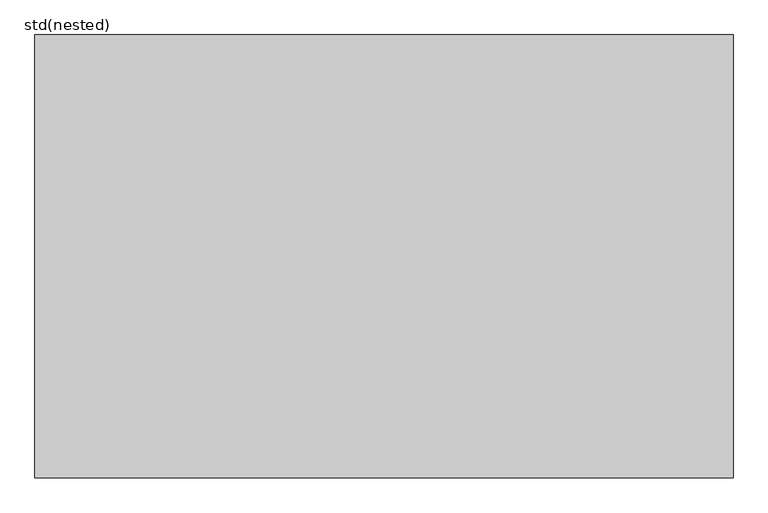
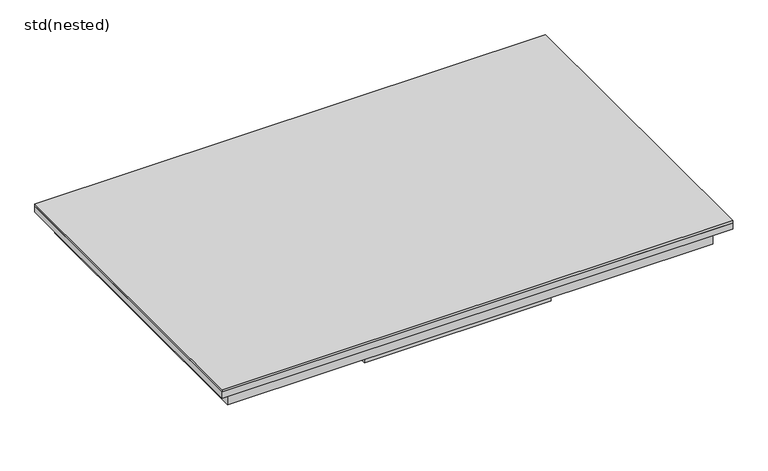
"""IFC4 building model written with IfcOpenShell, lengths in millimetres: proxy geometry, std(nested)."""

from ifc_helpers import new_model, si_unit, frame, origin, place, context, project, spatial, polyline, outline, extrude, faceted_brep, source, transform, mapped, element, save


def std_nested_30c2b504(model_context):
    return source(origin(), model_context, "Body", "SolidModel", [
        extrude(outline(polyline([(-475.0, 135.0), (-465.0, 135.0), (-465.0, 5.0), (465.0, 5.0), (465.0, 135.0), (475.0, 135.0), (475.0, -135.0), (465.0, -135.0), (465.0, -5.0), (-465.0, -5.0), (-465.0, -135.0), (-475.0, -135.0), (-475.0, 135.0)])), frame((0.0, 0.0, -105.0), z_axis=(0.0, 0.0, 1.0), x_axis=(1.0, 0.0, 0.0)), (0.0, 0.0, 1.0), 100.0),
        extrude(outline(polyline([(200.0, 275.0), (200.0, 265.0), (5.0, 265.0), (5.0, -265.0), (200.0, -265.0), (200.0, -275.0), (-200.0, -275.0), (-200.0, -265.0), (-5.0, -265.0), (-5.0, 265.0), (-200.0, 265.0), (-200.0, 275.0), (200.0, 275.0)])), frame((0.0, 0.0, -105.0), z_axis=(0.0, 0.0, 1.0), x_axis=(1.0, 0.0, 0.0)), (0.0, 0.0, 1.0), 100.0),
        extrude(outline(polyline([(548.0, 348.0), (548.0, -348.0), (-548.0, -348.0), (-548.0, 348.0), (548.0, 348.0)])), frame((0.0, 0.0, -5.0), z_axis=(0.0, 0.0, 1.0), x_axis=(1.0, 0.0, 0.0)), (0.0, 0.0, 1.0), 5.0),
        faceted_brep([(548.0, 348.0, -19.0), (548.0, 348.0, -5.0), (548.0, -348.0, -5.0), (548.0, -348.0, -19.0), (500.0, 300.0, -57.5), (500.0, 300.0, -59.5), (500.0, -300.0, -59.5), (500.0, -300.0, -57.5), (546.0, 346.0, -5.0), (546.0, 346.0, -17.0), (546.0, -346.0, -17.0), (546.0, -346.0, -5.0), (-548.0, -348.0, -5.0), (-548.0, -348.0, -19.0), (-500.0, -300.0, -59.5), (-500.0, -300.0, -57.5), (-546.0, -346.0, -17.0), (-546.0, -346.0, -5.0), (-548.0, 348.0, -5.0), (-548.0, 348.0, -19.0), (-500.0, 300.0, -59.5), (-500.0, 300.0, -57.5), (-546.0, 346.0, -17.0), (-546.0, 346.0, -5.0), (521.0, -321.0, -59.5), (-521.0, -321.0, -59.5), (-521.0, 321.0, -59.5), (521.0, 321.0, -59.5), (519.0, 319.0, -57.5), (-519.0, 319.0, -57.5), (-519.0, -319.0, -57.5), (519.0, -319.0, -57.5), (521.0, 321.0, -19.0), (521.0, -321.0, -19.0), (519.0, 319.0, -17.0), (519.0, -319.0, -17.0), (-521.0, -321.0, -19.0), (-519.0, -319.0, -17.0), (-521.0, 321.0, -19.0), (-519.0, 319.0, -17.0)], [[[0, 1, 2, 3]], [[4, 5, 6, 7]], [[8, 9, 10, 11]], [[3, 2, 12, 13]], [[7, 6, 14, 15]], [[11, 10, 16, 17]], [[13, 12, 18, 19]], [[15, 14, 20, 21]], [[17, 16, 22, 23]], [[1, 18, 12, 2], [11, 17, 23, 8]], [[19, 18, 1, 0]], [[24, 25, 26, 27], [5, 20, 14, 6]], [[21, 20, 5, 4]], [[28, 29, 30, 31], [7, 15, 21, 4]], [[23, 22, 9, 8]], [[27, 32, 33, 24]], [[34, 28, 31, 35]], [[24, 33, 36, 25]], [[35, 31, 30, 37]], [[25, 36, 38, 26]], [[37, 30, 29, 39]], [[3, 13, 19, 0], [32, 38, 36, 33]], [[26, 38, 32, 27]], [[39, 29, 28, 34]], [[9, 22, 16, 10], [35, 37, 39, 34]]]),
    ])


if __name__ == "__main__":
    model = new_model("IFC4")
    model_context = context("Model", 3, world=origin())
    ifc_project = project(units=[si_unit("LENGTHUNIT", "METRE", prefix="MILLI")], contexts=[model_context])
    site = spatial("IfcSite", under=ifc_project)
    building = spatial("IfcBuilding", under=site)
    placement = place(None, origin())
    std_nested_shape = std_nested_30c2b504(model_context)
    element("IfcBuildingElementProxy", 1, Name="std(nested)", ObjectType="std(nested)", at=placement, inside=building, context=model_context, shape_type="MappedRepresentation", body=[
        mapped(std_nested_shape, transform((0.0, 0.0, 0.0), x_axis=(1.0, 0.0, 0.0), y_axis=(0.0, 1.0, 0.0), z_axis=(0.0, 0.0, 1.0))),
    ])
    save(model, "model.ifc")
